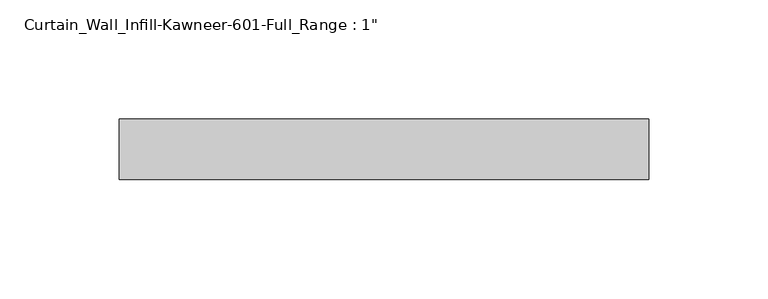
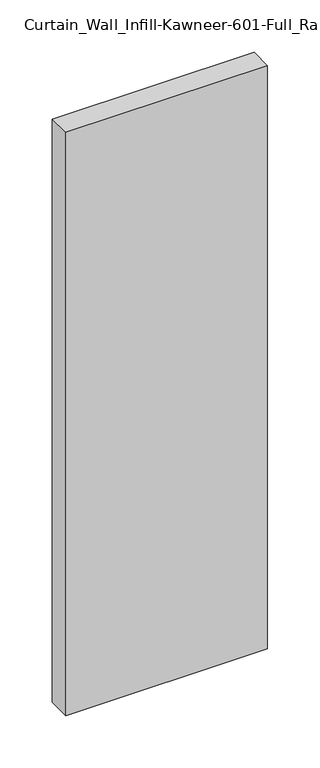
"""IFC4 building model written with IfcOpenShell, lengths in millimetres: plate geometry."""

import ifcopenshell
import ifcopenshell.guid

model = None  # the IFC model being written
_history = None  # IfcOwnerHistory: only IFC2X3 demands one
_inside = {}  # id of a spatial element -> (the spatial element, [elements in it])
_under = {}  # id of a project, library or spatial element -> (it, [spatial elements below it])
_declared = {}  # id of a project -> (the project, [libraries it declares])
_typed = {}  # id of a type object -> (the type object, [elements of that type])
_made_of = {}  # id of a material, layer set ... -> (it, [elements and type objects made of it])


def new_model(schema):
    """Start an empty IFC model of exactly this schema.

    Asked for "IFC4X3", IfcOpenShell would pick the latest addendum, in which some entities
    have other attributes; the version numbers below select the first issue.
    IFC2X3 requires an IfcOwnerHistory on every rooted entity: one is made here for all.
    """
    global model, _history
    if schema == "IFC4X3":
        model = ifcopenshell.file(schema_version=(4, 3, 0, 0))
    else:
        model = ifcopenshell.file(schema=schema)
    _inside.clear()
    _under.clear()
    _declared.clear()
    _typed.clear()
    _made_of.clear()
    _history = None
    if model.schema == "IFC2X3":
        org = make("IfcOrganization", Name="unknown")
        user = make(
            "IfcPersonAndOrganization",
            ThePerson=make("IfcPerson", FamilyName="unknown"),
            TheOrganization=org,
        )
        app = make(
            "IfcApplication",
            ApplicationDeveloper=org,
            Version="unknown",
            ApplicationFullName="unknown",
            ApplicationIdentifier="unknown",
        )
        _history = make(
            "IfcOwnerHistory",
            OwningUser=user,
            OwningApplication=app,
            ChangeAction="ADDED",
            CreationDate=0,
        )
    return model


def make(cls, **values):
    """One entity of the class cls with the attributes given. An attribute that is None is left unset."""
    return model.create_entity(
        cls, **{name: value for name, value in values.items() if value is not None}
    )


def rooted(cls, **values):
    """An entity with a GlobalId (a new one), such as an element, a storey or a relation."""
    return make(cls, GlobalId=ifcopenshell.guid.new(), OwnerHistory=_history, **values)


def si_unit(unit_type, name, prefix=None):
    """IfcSIUnit, for example si_unit("LENGTHUNIT", "METRE", prefix="MILLI")."""
    return make("IfcSIUnit", UnitType=unit_type, Prefix=prefix, Name=name)


def assignment(units):
    """IfcUnitAssignment: the units of a project."""
    return None if units is None else make("IfcUnitAssignment", Units=units)


def point(xyz):
    """IfcCartesianPoint."""
    return None if xyz is None else make("IfcCartesianPoint", Coordinates=xyz)


def direction(xyz):
    """IfcDirection."""
    return None if xyz is None else make("IfcDirection", DirectionRatios=xyz)


def frame(location, z_axis=None, x_axis=None):
    """IfcAxis2Placement3D, a coordinate frame: its origin and axes. An axis left out is left unset."""
    return make(
        "IfcAxis2Placement3D",
        Location=point(location),
        Axis=direction(z_axis),
        RefDirection=direction(x_axis),
    )


def origin():
    """The frame at (0, 0, 0) with its axes left unset."""
    return frame((0.0, 0.0, 0.0))


def origin_with_axes():
    """The frame at (0, 0, 0) with the z axis (0, 0, 1) and the x axis (1, 0, 0) written out."""
    return frame((0.0, 0.0, 0.0), z_axis=(0.0, 0.0, 1.0), x_axis=(1.0, 0.0, 0.0))


def place(relative_to, where):
    """IfcLocalPlacement: puts the frame where relative to a parent placement (None: the world)."""
    return make(
        "IfcLocalPlacement", PlacementRelTo=relative_to, RelativePlacement=where
    )


def context(
    kind, dimensions, precision=None, world=None, true_north=None, identifier=None
):
    """IfcGeometricRepresentationContext, for example the 3D "Model" context."""
    return make(
        "IfcGeometricRepresentationContext",
        ContextIdentifier=identifier,
        ContextType=kind,
        CoordinateSpaceDimension=dimensions,
        Precision=precision,
        WorldCoordinateSystem=world,
        TrueNorth=true_north,
    )


def project(units=None, contexts=None):
    """IfcProject with its units and contexts."""
    return rooted(
        "IfcProject",
        Name="project",
        RepresentationContexts=contexts,
        UnitsInContext=assignment(units),
    )


def spatial(cls, under=None, at=None, **own):
    """A site, building, storey or space (cls), placed at a placement, below another one or the project."""
    s = rooted(cls, ObjectPlacement=at, **own)
    if under is not None:
        _under.setdefault(under.id(), (under, []))[1].append(s)
    return s


def polyline(points):
    """IfcPolyline through the points."""
    return make("IfcPolyline", Points=[point(p) for p in points])


def outline(outer, holes=None, kind="AREA"):
    """IfcArbitraryClosedProfileDef: a profile drawn as a closed curve; with holes, ...WithVoids."""
    if holes is None:
        return make("IfcArbitraryClosedProfileDef", ProfileType=kind, OuterCurve=outer)
    return make(
        "IfcArbitraryProfileDefWithVoids",
        ProfileType=kind,
        OuterCurve=outer,
        InnerCurves=holes,
    )


def extrude(swept, where, along, depth):
    """IfcExtrudedAreaSolid: the profile swept, set in the frame where, extruded along a direction by depth."""
    return make(
        "IfcExtrudedAreaSolid",
        SweptArea=swept,
        Position=where,
        ExtrudedDirection=direction(along),
        Depth=depth,
    )


def shape(context_of_items, identifier, shape_type, items):
    """IfcShapeRepresentation: the items that make up one representation, for example the "Body"."""
    return make(
        "IfcShapeRepresentation",
        ContextOfItems=context_of_items,
        RepresentationIdentifier=identifier,
        RepresentationType=shape_type,
        Items=items,
    )


def source(mapping_origin, context_of_items, identifier, shape_type, items):
    """IfcRepresentationMap: a shape defined once, which mapped items show again and again."""
    return make(
        "IfcRepresentationMap",
        MappingOrigin=mapping_origin,
        MappedRepresentation=shape(context_of_items, identifier, shape_type, items),
    )


def transform(
    local_origin,
    x_axis=None,
    y_axis=None,
    z_axis=None,
    scale=None,
    scale2=None,
    scale3=None,
    uniform=True,
):
    """IfcCartesianTransformationOperator3D, or its non-uniform kind. x_axis, y_axis, z_axis: its Axis1, 2, 3."""
    if uniform:
        return make(
            "IfcCartesianTransformationOperator3D",
            Axis1=direction(x_axis),
            Axis2=direction(y_axis),
            LocalOrigin=point(local_origin),
            Scale=scale,
            Axis3=direction(z_axis),
        )
    return make(
        "IfcCartesianTransformationOperator3DnonUniform",
        Axis1=direction(x_axis),
        Axis2=direction(y_axis),
        LocalOrigin=point(local_origin),
        Scale=scale,
        Axis3=direction(z_axis),
        Scale2=scale2,
        Scale3=scale3,
    )


def mapped(mapping_source, mapping_target):
    """IfcMappedItem: shows the shape of a source again, moved by a transform."""
    return make(
        "IfcMappedItem", MappingSource=mapping_source, MappingTarget=mapping_target
    )


def made_of(thing, what):
    """Note that an element or type object is made of a material, layer set ...; save() writes the relation."""
    if what is not None:
        _made_of.setdefault(what.id(), (what, []))[1].append(thing)
    return thing


def element(
    cls,
    number,
    at=None,
    inside=None,
    cuts=None,
    type_object=None,
    material=None,
    context=None,
    identifier="Body",
    shape_type=None,
    held_by="IfcProductDefinitionShape",
    body=None,
    shapes=None,
    **own,
):
    """One element of the class cls, such as IfcWall. Its Tag is "e" and its number.

    at: its placement. inside: the storey or other place that contains it. cuts: it is an
    opening in that element (IfcRelVoidsElement). A single representation is given by context,
    identifier, shape_type and body (its items); several are given by shapes. held_by: the class
    of the entity that holds the representations. save() writes the other relations.
    """
    e = rooted(cls, Tag="e%d" % number, ObjectPlacement=at, **own)
    if body is not None:
        shapes = [shape(context, identifier, shape_type, body)]
    if shapes is not None:
        e.Representation = make(held_by, Representations=shapes)
    if inside is not None:
        _inside.setdefault(inside.id(), (inside, []))[1].append(e)
    if cuts is not None:
        rooted(
            "IfcRelVoidsElement", RelatingBuildingElement=cuts, RelatedOpeningElement=e
        )
    if type_object is not None:
        _typed.setdefault(type_object.id(), (type_object, []))[1].append(e)
    return made_of(e, material)


def aggregate(whole, parts):
    """IfcRelAggregates: a whole, such as a stair, and the parts it consists of."""
    return rooted("IfcRelAggregates", RelatingObject=whole, RelatedObjects=parts)


def save(model, path):
    """Write the relations noted so far, then the file.

    IfcRelAggregates (storeys below a building ...), IfcRelContainedInSpatialStructure (elements
    in a storey), IfcRelDefinesByType, IfcRelAssociatesMaterial and IfcRelDeclares: one each for
    every whole, place, type object, material and project.
    """
    for whole, parts in _under.values():
        aggregate(whole, parts)
    for where, things in _inside.values():
        rooted(
            "IfcRelContainedInSpatialStructure",
            RelatedElements=things,
            RelatingStructure=where,
        )
    for kind, things in _typed.values():
        rooted("IfcRelDefinesByType", RelatedObjects=things, RelatingType=kind)
    for what, things in _made_of.values():
        rooted("IfcRelAssociatesMaterial", RelatedObjects=things, RelatingMaterial=what)
    for by, libraries in _declared.values():
        rooted("IfcRelDeclares", RelatingContext=by, RelatedDefinitions=libraries)
    model.write(path)


def plate_2673f993(model_context):
    return source(origin(), model_context, "Body", "SweptSolid", [
        extrude(outline(polyline([(-111.125, -12.7), (-111.125, 12.7), (111.125, 12.7), (111.125, -12.7), (-111.125, -12.7)])), origin_with_axes(), (0.0, 0.0, 1.0), 679.45),
    ])


if __name__ == "__main__":
    model = new_model("IFC4")
    model_context = context("Model", 3, world=origin())
    ifc_project = project(units=[si_unit("LENGTHUNIT", "METRE", prefix="MILLI")], contexts=[model_context])
    site = spatial("IfcSite", under=ifc_project)
    building = spatial("IfcBuilding", under=site)
    placement = place(None, origin())
    plate_shape = plate_2673f993(model_context)
    element("IfcPlate", 1, ObjectType="Curtain_Wall_Infill-Kawneer-601-Full_Range : 1\"", at=placement, inside=building, context=model_context, shape_type="MappedRepresentation", body=[
        mapped(plate_shape, transform((0.0, 0.0, 0.0), x_axis=(1.0, 0.0, 0.0), y_axis=(0.0, 1.0, 0.0), z_axis=(0.0, 0.0, 1.0))),
    ])
    save(model, "model.ifc")
